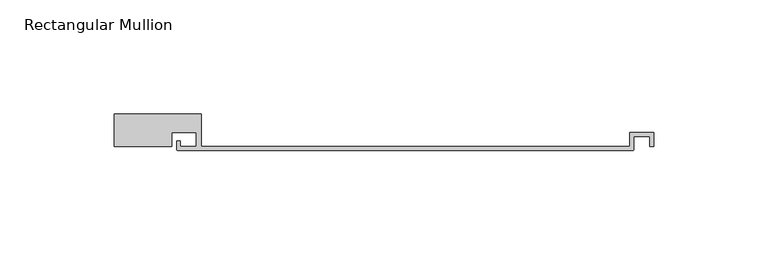
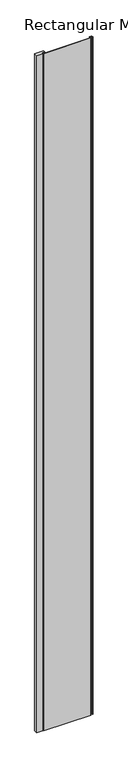
"""IFC4 building model written with IfcOpenShell, lengths in millimetres: member geometry, Rectangular Mullion."""

from ifc_helpers import new_model, si_unit, point, frame, frame_2d, origin, place, context, project, spatial, polyline, circle_curve, trimmed, segment, composite_curve, outline, extrude, source, transform, mapped, element, save


def rectangular_mullion_bcb8b839(model_context):
    return source(origin(), model_context, "Body", "SweptSolid", [
        extrude(outline(composite_curve([segment(polyline([(-185.3, -14.2), (-185.3, 0.0), (-147.3, 0.0), (-147.3, -14.2), (40.2, -14.2), (40.2, -8.0), (50.8, -8.0), (50.8, -14.2), (49.0, -14.2), (49.0, -9.8), (42.0, -9.8), (42.0, -15.5)]), True, "CONTINUOUS"), segment(trimmed(circle_curve(frame_2d((41.5, -15.5)), 0.5), [point((42.0, -15.5))], [point((41.5, -16.0))], False, "CARTESIAN"), True, "CONTINUOUS"), segment(polyline([(41.5, -16.0), (-157.5, -16.0)]), True, "CONTINUOUS"), segment(trimmed(circle_curve(frame_2d((-157.5, -15.5)), 0.5), [point((-157.5, -16.0))], [point((-158.0, -15.5))], False, "CARTESIAN"), True, "CONTINUOUS"), segment(polyline([(-158.0, -15.5), (-158.0, -11.8), (-156.4, -11.8), (-156.4, -14.2), (-149.5, -14.2), (-149.5, -8.0), (-160.1, -8.0), (-160.1, -14.2), (-185.3, -14.2)]), True, "CONTINUOUS")], self_intersect=False)), frame((0.0, 0.0, -3000.0), z_axis=(0.0, 0.0, 1.0), x_axis=(1.0, 0.0, 0.0)), (0.0, 0.0, 1.0), 3000.0),
    ])


if __name__ == "__main__":
    model = new_model("IFC4")
    model_context = context("Model", 3, world=origin())
    ifc_project = project(units=[si_unit("LENGTHUNIT", "METRE", prefix="MILLI")], contexts=[model_context])
    site = spatial("IfcSite", under=ifc_project)
    building = spatial("IfcBuilding", under=site)
    placement = place(None, origin())
    rectangular_mullion_shape = rectangular_mullion_bcb8b839(model_context)
    element("IfcMember", 1, ObjectType="Rectangular Mullion", at=placement, inside=building, context=model_context, shape_type="MappedRepresentation", body=[
        mapped(rectangular_mullion_shape, transform((0.0, 0.0, 0.0), x_axis=(1.0, 0.0, 0.0), y_axis=(0.0, 1.0, 0.0), z_axis=(0.0, 0.0, 1.0))),
    ])
    save(model, "model.ifc")
